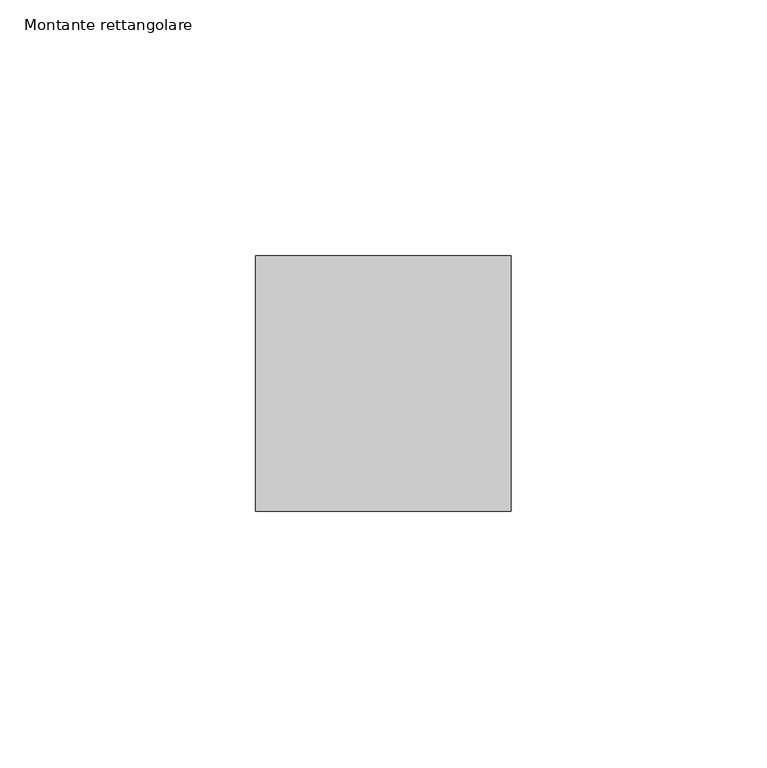
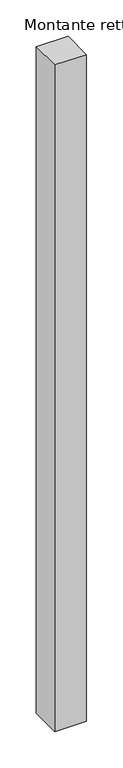
"""IFC4 building model written with IfcOpenShell, lengths in millimetres: member geometry, Montante rettangolare."""

from ifc_helpers import new_model, si_unit, frame, origin, place, context, project, spatial, polyline, outline, extrude, source, transform, mapped, element, save


def montante_rettangolare_3562c597(model_context):
    return source(origin(), model_context, "Body", "SweptSolid", [
        extrude(outline(polyline([(0.0, 25.0), (0.0, -25.0), (-50.0, -25.0), (-50.0, 25.0), (0.0, 25.0)])), frame((0.0, 0.0, -1116.493542), z_axis=(0.0, 0.0, 1.0), x_axis=(1.0, 0.0, 0.0)), (0.0, 0.0, 1.0), 1116.493542),
    ])


if __name__ == "__main__":
    model = new_model("IFC4")
    model_context = context("Model", 3, world=origin())
    ifc_project = project(units=[si_unit("LENGTHUNIT", "METRE", prefix="MILLI")], contexts=[model_context])
    site = spatial("IfcSite", under=ifc_project)
    building = spatial("IfcBuilding", under=site)
    placement = place(None, origin())
    montante_rettangolare_shape = montante_rettangolare_3562c597(model_context)
    element("IfcMember", 1, ObjectType="Montante rettangolare", at=placement, inside=building, context=model_context, shape_type="MappedRepresentation", body=[
        mapped(montante_rettangolare_shape, transform((0.0, 0.0, 0.0), x_axis=(1.0, 0.0, 0.0), y_axis=(0.0, 1.0, 0.0), z_axis=(0.0, 0.0, 1.0))),
    ])
    save(model, "model.ifc")
